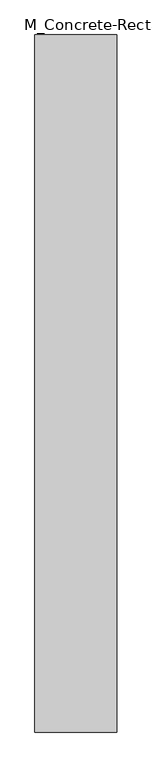
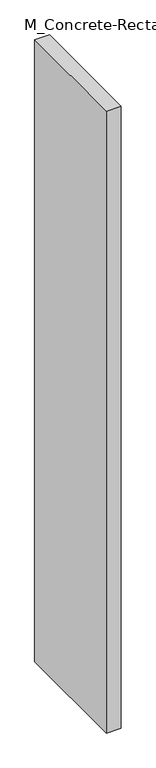
"""IFC4 building model written with IfcOpenShell, lengths in millimetres: column geometry, M_Concrete-Rectangular-Column : 40x340."""

from ifc_helpers import new_model, si_unit, origin, origin_with_axes, place, context, project, spatial, polyline, outline, extrude, source, transform, mapped, element, save


def m_concrete_rectangular_column_40x340_0ccef859(model_context):
    return source(origin(), model_context, "Body", "SweptSolid", [
        extrude(outline(polyline([(200.0, 1700.0), (200.0, -1700.0), (-200.0, -1700.0), (-200.0, 1700.0), (200.0, 1700.0)])), origin_with_axes(), (0.0, 0.0, 1.0), 18000.0),
    ])


if __name__ == "__main__":
    model = new_model("IFC4")
    model_context = context("Model", 3, world=origin())
    ifc_project = project(units=[si_unit("LENGTHUNIT", "METRE", prefix="MILLI")], contexts=[model_context])
    site = spatial("IfcSite", under=ifc_project)
    building = spatial("IfcBuilding", under=site)
    placement = place(None, origin())
    m_concrete_rectangular_column_40x340_shape = m_concrete_rectangular_column_40x340_0ccef859(model_context)
    element("IfcColumn", 1, ObjectType="M_Concrete-Rectangular-Column : 40x340", at=placement, inside=building, context=model_context, shape_type="MappedRepresentation", body=[
        mapped(m_concrete_rectangular_column_40x340_shape, transform((0.0, 0.0, 0.0), x_axis=(1.0, 0.0, 0.0), y_axis=(0.0, 1.0, 0.0), z_axis=(0.0, 0.0, 1.0))),
    ])
    save(model, "model.ifc")
